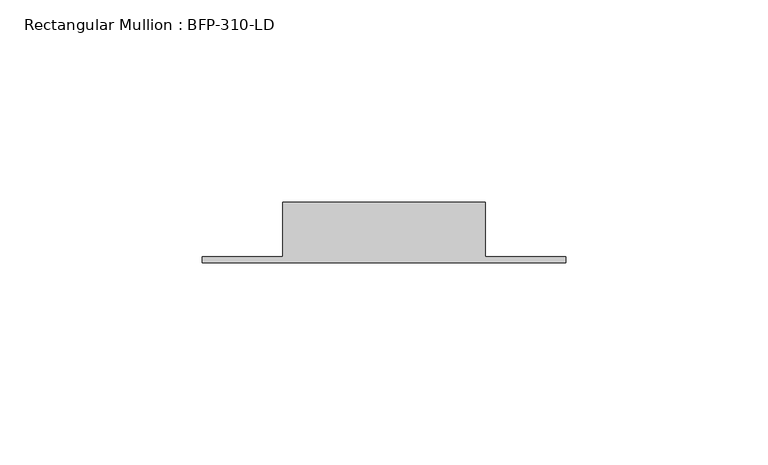
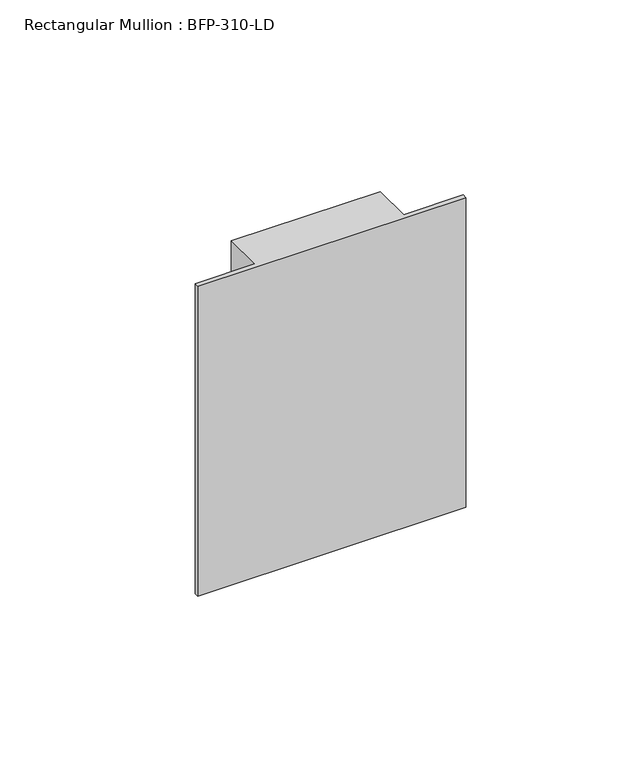
"""IFC4 building model written with IfcOpenShell, lengths in millimetres: member geometry, Rectangular Mullion : BFP-310-LD."""

from ifc_helpers import new_model, si_unit, frame, origin, place, context, project, spatial, polyline, outline, extrude, source, transform, mapped, element, save


def rectangular_mullion_bfp_310_ld_2abb48ea(model_context):
    return source(origin(), model_context, "Body", "SweptSolid", [
        extrude(outline(polyline([(-20.0, 17.0), (-20.0, 3.5), (0.0, 3.5), (0.0, 2.0), (-90.0, 2.0), (-90.0, 3.5), (-70.0, 3.5), (-70.0, 17.0), (-20.0, 17.0)])), frame((0.0, 0.0, -110.0), z_axis=(0.0, 0.0, 1.0), x_axis=(1.0, 0.0, 0.0)), (0.0, 0.0, 1.0), 110.0),
    ])


if __name__ == "__main__":
    model = new_model("IFC4")
    model_context = context("Model", 3, world=origin())
    ifc_project = project(units=[si_unit("LENGTHUNIT", "METRE", prefix="MILLI")], contexts=[model_context])
    site = spatial("IfcSite", under=ifc_project)
    building = spatial("IfcBuilding", under=site)
    placement = place(None, origin())
    rectangular_mullion_bfp_310_ld_shape = rectangular_mullion_bfp_310_ld_2abb48ea(model_context)
    element("IfcMember", 1, ObjectType="Rectangular Mullion : BFP-310-LD", at=placement, inside=building, context=model_context, shape_type="MappedRepresentation", body=[
        mapped(rectangular_mullion_bfp_310_ld_shape, transform((0.0, 0.0, 0.0), x_axis=(1.0, 0.0, 0.0), y_axis=(0.0, 1.0, 0.0), z_axis=(0.0, 0.0, 1.0))),
    ])
    save(model, "model.ifc")
